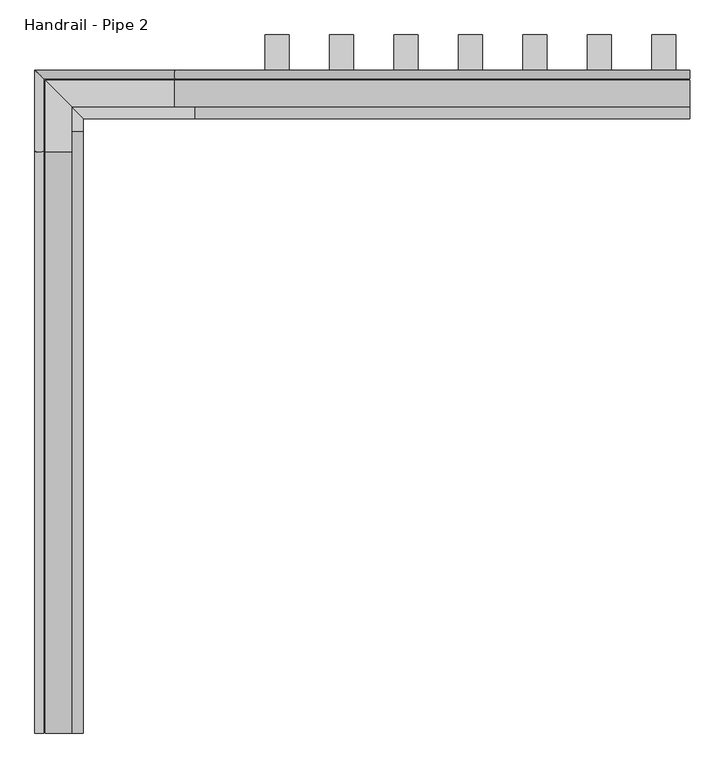
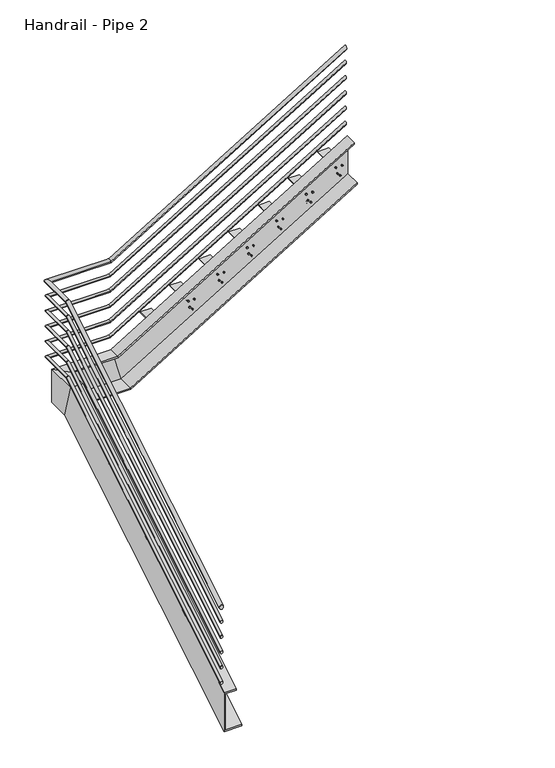
"""IFC4 building model written with IfcOpenShell, lengths in millimetres: railing geometry, Handrail - Pipe 2."""

import ifcopenshell
import ifcopenshell.guid

model = None  # the IFC model being written
_history = None  # IfcOwnerHistory: only IFC2X3 demands one
_inside = {}  # id of a spatial element -> (the spatial element, [elements in it])
_under = {}  # id of a project, library or spatial element -> (it, [spatial elements below it])
_declared = {}  # id of a project -> (the project, [libraries it declares])
_typed = {}  # id of a type object -> (the type object, [elements of that type])
_made_of = {}  # id of a material, layer set ... -> (it, [elements and type objects made of it])


def new_model(schema):
    """Start an empty IFC model of exactly this schema.

    Asked for "IFC4X3", IfcOpenShell would pick the latest addendum, in which some entities
    have other attributes; the version numbers below select the first issue.
    IFC2X3 requires an IfcOwnerHistory on every rooted entity: one is made here for all.
    """
    global model, _history
    if schema == "IFC4X3":
        model = ifcopenshell.file(schema_version=(4, 3, 0, 0))
    else:
        model = ifcopenshell.file(schema=schema)
    _inside.clear()
    _under.clear()
    _declared.clear()
    _typed.clear()
    _made_of.clear()
    _history = None
    if model.schema == "IFC2X3":
        org = make("IfcOrganization", Name="unknown")
        user = make(
            "IfcPersonAndOrganization",
            ThePerson=make("IfcPerson", FamilyName="unknown"),
            TheOrganization=org,
        )
        app = make(
            "IfcApplication",
            ApplicationDeveloper=org,
            Version="unknown",
            ApplicationFullName="unknown",
            ApplicationIdentifier="unknown",
        )
        _history = make(
            "IfcOwnerHistory",
            OwningUser=user,
            OwningApplication=app,
            ChangeAction="ADDED",
            CreationDate=0,
        )
    return model


def make(cls, **values):
    """One entity of the class cls with the attributes given. An attribute that is None is left unset."""
    return model.create_entity(
        cls, **{name: value for name, value in values.items() if value is not None}
    )


def rooted(cls, **values):
    """An entity with a GlobalId (a new one), such as an element, a storey or a relation."""
    return make(cls, GlobalId=ifcopenshell.guid.new(), OwnerHistory=_history, **values)


def si_unit(unit_type, name, prefix=None):
    """IfcSIUnit, for example si_unit("LENGTHUNIT", "METRE", prefix="MILLI")."""
    return make("IfcSIUnit", UnitType=unit_type, Prefix=prefix, Name=name)


def assignment(units):
    """IfcUnitAssignment: the units of a project."""
    return None if units is None else make("IfcUnitAssignment", Units=units)


def point(xyz):
    """IfcCartesianPoint."""
    return None if xyz is None else make("IfcCartesianPoint", Coordinates=xyz)


def direction(xyz):
    """IfcDirection."""
    return None if xyz is None else make("IfcDirection", DirectionRatios=xyz)


def frame(location, z_axis=None, x_axis=None):
    """IfcAxis2Placement3D, a coordinate frame: its origin and axes. An axis left out is left unset."""
    return make(
        "IfcAxis2Placement3D",
        Location=point(location),
        Axis=direction(z_axis),
        RefDirection=direction(x_axis),
    )


def origin():
    """The frame at (0, 0, 0) with its axes left unset."""
    return frame((0.0, 0.0, 0.0))


def place(relative_to, where):
    """IfcLocalPlacement: puts the frame where relative to a parent placement (None: the world)."""
    return make(
        "IfcLocalPlacement", PlacementRelTo=relative_to, RelativePlacement=where
    )


def context(
    kind, dimensions, precision=None, world=None, true_north=None, identifier=None
):
    """IfcGeometricRepresentationContext, for example the 3D "Model" context."""
    return make(
        "IfcGeometricRepresentationContext",
        ContextIdentifier=identifier,
        ContextType=kind,
        CoordinateSpaceDimension=dimensions,
        Precision=precision,
        WorldCoordinateSystem=world,
        TrueNorth=true_north,
    )


def project(units=None, contexts=None):
    """IfcProject with its units and contexts."""
    return rooted(
        "IfcProject",
        Name="project",
        RepresentationContexts=contexts,
        UnitsInContext=assignment(units),
    )


def spatial(cls, under=None, at=None, **own):
    """A site, building, storey or space (cls), placed at a placement, below another one or the project."""
    s = rooted(cls, ObjectPlacement=at, **own)
    if under is not None:
        _under.setdefault(under.id(), (under, []))[1].append(s)
    return s


def polyline(points):
    """IfcPolyline through the points."""
    return make("IfcPolyline", Points=[point(p) for p in points])


def ellipse_curve(where, semi_axis1, semi_axis2):
    """IfcEllipse in the frame where."""
    return make(
        "IfcEllipse", Position=where, SemiAxis1=semi_axis1, SemiAxis2=semi_axis2
    )


def outline(outer, holes=None, kind="AREA"):
    """IfcArbitraryClosedProfileDef: a profile drawn as a closed curve; with holes, ...WithVoids."""
    if holes is None:
        return make("IfcArbitraryClosedProfileDef", ProfileType=kind, OuterCurve=outer)
    return make(
        "IfcArbitraryProfileDefWithVoids",
        ProfileType=kind,
        OuterCurve=outer,
        InnerCurves=holes,
    )


def extrude(swept, where, along, depth):
    """IfcExtrudedAreaSolid: the profile swept, set in the frame where, extruded along a direction by depth."""
    return make(
        "IfcExtrudedAreaSolid",
        SweptArea=swept,
        Position=where,
        ExtrudedDirection=direction(along),
        Depth=depth,
    )


def faces_of(points, faces, orient=None, outer=None):
    """IfcFace entities. A face is a list of loops; a loop is a list of indices into points, from 0.

    orient and outer hold one flag for each loop. By default every Orientation is true, the
    first loop of a face is its IfcFaceOuterBound and the others are IfcFaceBound.
    """
    made = []
    for i, loops in enumerate(faces):
        bounds = []
        for j, loop in enumerate(loops):
            is_outer = j == 0 if outer is None else outer[i][j]
            bounds.append(
                make(
                    "IfcFaceOuterBound" if is_outer else "IfcFaceBound",
                    Bound=make("IfcPolyLoop", Polygon=[points[k] for k in loop]),
                    Orientation=True if orient is None else orient[i][j],
                )
            )
        made.append(make("IfcFace", Bounds=bounds))
    return made


def faceted_brep(points, faces, orient=None, outer=None, voids=None):
    """IfcFacetedBrep: a solid bounded by flat faces; with voids (closed shells), ...WithVoids."""
    shared = [point(p) for p in points]
    hull = make("IfcClosedShell", CfsFaces=faces_of(shared, faces, orient, outer))
    if voids is None:
        return make("IfcFacetedBrep", Outer=hull)
    return make(
        "IfcFacetedBrepWithVoids",
        Outer=hull,
        Voids=[
            make(cls, CfsFaces=faces_of(shared, fs, o, b)) for cls, fs, o, b in voids
        ],
    )


def shape(context_of_items, identifier, shape_type, items):
    """IfcShapeRepresentation: the items that make up one representation, for example the "Body"."""
    return make(
        "IfcShapeRepresentation",
        ContextOfItems=context_of_items,
        RepresentationIdentifier=identifier,
        RepresentationType=shape_type,
        Items=items,
    )


def source(mapping_origin, context_of_items, identifier, shape_type, items):
    """IfcRepresentationMap: a shape defined once, which mapped items show again and again."""
    return make(
        "IfcRepresentationMap",
        MappingOrigin=mapping_origin,
        MappedRepresentation=shape(context_of_items, identifier, shape_type, items),
    )


def transform(
    local_origin,
    x_axis=None,
    y_axis=None,
    z_axis=None,
    scale=None,
    scale2=None,
    scale3=None,
    uniform=True,
):
    """IfcCartesianTransformationOperator3D, or its non-uniform kind. x_axis, y_axis, z_axis: its Axis1, 2, 3."""
    if uniform:
        return make(
            "IfcCartesianTransformationOperator3D",
            Axis1=direction(x_axis),
            Axis2=direction(y_axis),
            LocalOrigin=point(local_origin),
            Scale=scale,
            Axis3=direction(z_axis),
        )
    return make(
        "IfcCartesianTransformationOperator3DnonUniform",
        Axis1=direction(x_axis),
        Axis2=direction(y_axis),
        LocalOrigin=point(local_origin),
        Scale=scale,
        Axis3=direction(z_axis),
        Scale2=scale2,
        Scale3=scale3,
    )


def mapped(mapping_source, mapping_target):
    """IfcMappedItem: shows the shape of a source again, moved by a transform."""
    return make(
        "IfcMappedItem", MappingSource=mapping_source, MappingTarget=mapping_target
    )


def made_of(thing, what):
    """Note that an element or type object is made of a material, layer set ...; save() writes the relation."""
    if what is not None:
        _made_of.setdefault(what.id(), (what, []))[1].append(thing)
    return thing


def element(
    cls,
    number,
    at=None,
    inside=None,
    cuts=None,
    type_object=None,
    material=None,
    context=None,
    identifier="Body",
    shape_type=None,
    held_by="IfcProductDefinitionShape",
    body=None,
    shapes=None,
    **own,
):
    """One element of the class cls, such as IfcWall. Its Tag is "e" and its number.

    at: its placement. inside: the storey or other place that contains it. cuts: it is an
    opening in that element (IfcRelVoidsElement). A single representation is given by context,
    identifier, shape_type and body (its items); several are given by shapes. held_by: the class
    of the entity that holds the representations. save() writes the other relations.
    """
    e = rooted(cls, Tag="e%d" % number, ObjectPlacement=at, **own)
    if body is not None:
        shapes = [shape(context, identifier, shape_type, body)]
    if shapes is not None:
        e.Representation = make(held_by, Representations=shapes)
    if inside is not None:
        _inside.setdefault(inside.id(), (inside, []))[1].append(e)
    if cuts is not None:
        rooted(
            "IfcRelVoidsElement", RelatingBuildingElement=cuts, RelatedOpeningElement=e
        )
    if type_object is not None:
        _typed.setdefault(type_object.id(), (type_object, []))[1].append(e)
    return made_of(e, material)


def aggregate(whole, parts):
    """IfcRelAggregates: a whole, such as a stair, and the parts it consists of."""
    return rooted("IfcRelAggregates", RelatingObject=whole, RelatedObjects=parts)


def save(model, path):
    """Write the relations noted so far, then the file.

    IfcRelAggregates (storeys below a building ...), IfcRelContainedInSpatialStructure (elements
    in a storey), IfcRelDefinesByType, IfcRelAssociatesMaterial and IfcRelDeclares: one each for
    every whole, place, type object, material and project.
    """
    for whole, parts in _under.values():
        aggregate(whole, parts)
    for where, things in _inside.values():
        rooted(
            "IfcRelContainedInSpatialStructure",
            RelatedElements=things,
            RelatingStructure=where,
        )
    for kind, things in _typed.values():
        rooted("IfcRelDefinesByType", RelatedObjects=things, RelatingType=kind)
    for what, things in _made_of.values():
        rooted("IfcRelAssociatesMaterial", RelatedObjects=things, RelatingMaterial=what)
    for by, libraries in _declared.values():
        rooted("IfcRelDeclares", RelatingContext=by, RelatedDefinitions=libraries)
    model.write(path)


def plane_surface(at):
    """IfcPlane: the flat surface through the origin of the frame at, square to its z axis."""
    return make("IfcPlane", Position=at)


def cylinder_surface(at, radius):
    """IfcCylindricalSurface: all points at the distance radius from the z axis of the frame at."""
    return make("IfcCylindricalSurface", Position=at, Radius=radius)


def advanced_brep(points, edges, surfaces, faces):
    """IfcAdvancedBrep: a solid bounded by faces that lie on surfaces and meet in shared edges.

    An edge is (start, end): straight between two places in points (the first is 0);
    or (start, end, curve); or (start, end, curve, False) where it runs against its curve.
    A face is (place in surfaces, loops), or (place, loops, False) where it looks against
    its surface's normal. A loop lists edges by number (the first is 1), with a minus sign
    where the edge is run from its end to its start. The first loop is the outer one.
    """
    corners = [point(p) for p in points]
    vertices = [make("IfcVertexPoint", VertexGeometry=c) for c in corners]
    made = []
    for start, end, *more in edges:
        made.append(
            make(
                "IfcEdgeCurve",
                EdgeStart=vertices[start],
                EdgeEnd=vertices[end],
                EdgeGeometry=more[0] if more else make("IfcPolyline", Points=[corners[start], corners[end]]),
                SameSense=more[1] if len(more) > 1 else True,
            )
        )
    hull = []
    for where, loops, *sense in faces:
        bounds = []
        for j, loop in enumerate(loops):
            ring = [make("IfcOrientedEdge", EdgeElement=made[abs(k) - 1], Orientation=k > 0) for k in loop]
            bounds.append(
                make(
                    "IfcFaceOuterBound" if j == 0 else "IfcFaceBound",
                    Bound=make("IfcEdgeLoop", EdgeList=ring),
                    Orientation=True,
                )
            )
        hull.append(make("IfcAdvancedFace", Bounds=bounds, FaceSurface=surfaces[where], SameSense=sense[0] if sense else True))
    return make("IfcAdvancedBrep", Outer=make("IfcClosedShell", CfsFaces=hull))


def handrail_pipe_2_9749ea83(model_context):
    return source(origin(), model_context, "Body", "SolidModel", [
        advanced_brep(
        [(-5738.7537229, -1003.5166859, 1061.4577857), (-5776.8537229, -1003.5166859, 1061.4577857), (-5738.7537229, 1516.4054676, 2588.6833333), (-5776.8537229, 1516.4054676, 2588.6833333), (-5738.7537229, 1828.5833141, 2588.6833333), (-5776.8537229, 1866.6833141, 2588.6833333), (-5168.2815694, 1828.5833141, 2588.6833333), (-5168.2815694, 1866.6833141, 2588.6833333), (-2938.4037229, 1828.5833141, 3940.1244524), (-2938.4037229, 1866.6833141, 3940.1244524)],
        [
            (0, 1, ellipse_curve(frame((-5757.8037229, -1003.5166859, 1061.4577857), z_axis=(0.0, -1.0, 0.0), x_axis=(0.0, 0.0, -1.0)), 22.2755476, 19.05)),
            (1, 0, ellipse_curve(frame((-5757.8037229, -1003.5166859, 1061.4577857), z_axis=(0.0, -1.0, 0.0), x_axis=(0.0, 0.0, -1.0)), 22.2755476, 19.05)),
            (0, 2),
            (2, 3, ellipse_curve(frame((-5757.8037229, 1516.4054676, 2588.6833333), z_axis=(0.0, -0.963119367356418, -0.2690744956754042), x_axis=(0.0, 0.2690744956754046, -0.963119367356418)), 19.7794797, 19.05)),
            (3, 1),
            (3, 2, ellipse_curve(frame((-5757.8037229, 1516.4054676, 2588.6833333), z_axis=(0.0, -0.963119367356418, -0.2690744956754042), x_axis=(0.0, 0.2690744956754046, -0.963119367356418)), 19.7794797, 19.05)),
            (2, 4),
            (4, 5, ellipse_curve(frame((-5757.8037229, 1847.6333141, 2588.6833333), z_axis=(-0.7071067811865483, -0.7071067811865468, 0.0), x_axis=(0.7071067811865468, -0.7071067811865482, 0.0)), 26.9407684, 19.05)),
            (5, 3),
            (5, 4, ellipse_curve(frame((-5757.8037229, 1847.6333141, 2588.6833333), z_axis=(-0.7071067811865483, -0.7071067811865468, 0.0), x_axis=(0.7071067811865468, -0.7071067811865482, 0.0)), 26.9407684, 19.05)),
            (4, 6),
            (6, 7, ellipse_curve(frame((-5168.2815694, 1847.6333141, 2588.6833333), z_axis=(-0.9631193673564179, 0.0, -0.26907449567540426), x_axis=(-0.2690744956754049, 0.0, 0.9631193673564178)), 19.7794797, 19.05)),
            (7, 5),
            (7, 6, ellipse_curve(frame((-5168.2815694, 1847.6333141, 2588.6833333), z_axis=(-0.9631193673564179, 0.0, -0.26907449567540426), x_axis=(-0.2690744956754049, 0.0, 0.9631193673564178)), 19.7794797, 19.05)),
            (8, 9, ellipse_curve(frame((-2938.4037229, 1847.6333141, 3940.1244524), z_axis=(1.0, 0.0, 0.0), x_axis=(0.0, 0.0, -1.0)), 22.2755476, 19.05)),
            (9, 8, ellipse_curve(frame((-2938.4037229, 1847.6333141, 3940.1244524), z_axis=(1.0, 0.0, 0.0), x_axis=(0.0, 0.0, -1.0)), 22.2755476, 19.05)),
            (6, 8),
            (9, 7),
        ],
        [
            plane_surface(frame((-5757.8037229, -1003.5166859, 1083.7333333), z_axis=(0.0, -1.0, 0.0), x_axis=(0.0, 0.0, 1.0))),
            cylinder_surface(frame((-5757.8037229, -993.6430383, 1067.4418146), z_axis=(0.0, -0.8551978315540538, -0.518301716093285), x_axis=(-1.0, 0.0, 0.0)), 19.05),
            cylinder_surface(frame((-5757.8037229, 1511.0833141, 2588.6833333), z_axis=(0.0, -1.0, 0.0), x_axis=(-1.0, 0.0, 0.0)), 19.05),
            cylinder_surface(frame((-5757.8037229, 1847.6333141, 2588.6833333), z_axis=(-1.0, 0.0, 0.0), x_axis=(0.0, 1.0, 0.0)), 19.05),
            plane_surface(frame((-2938.4037229, 1847.6333141, 3962.4), z_axis=(1.0, 0.0, 0.0), x_axis=(0.0, 1.0, 0.0))),
            cylinder_surface(frame((-5163.7300752, 1847.6333141, 2591.4418146), z_axis=(-0.8551978315540537, 0.0, -0.5183017160932851), x_axis=(0.0, 1.0, 0.0)), 19.05),
        ],
        [
            (0, [[1, 2]]),
            (1, [[-1, 3, 4, 5]]),
            (1, [[-2, -5, 6, -3]]),
            (2, [[-4, 7, 8, 9]]),
            (2, [[-6, -9, 10, -7]]),
            (3, [[-8, 11, 12, 13]]),
            (3, [[-10, -13, 14, -11]]),
            (4, [[15, 16]]),
            (5, [[-12, 17, -16, 18]]),
            (5, [[-14, -18, -15, -17]]),
        ],
    ),
        advanced_brep(
        [(-5745.1037229, -1003.5166859, 916.4829683), (-5770.5037229, -1003.5166859, 916.4829683), (-5745.1037229, 1514.6314164, 2442.6333333), (-5770.5037229, 1514.6314164, 2442.6333333), (-5745.1037229, 1834.9333141, 2442.6333333), (-5770.5037229, 1860.3333141, 2442.6333333), (-5170.0556206, 1834.9333141, 2442.6333333), (-5170.0556206, 1860.3333141, 2442.6333333), (-2938.4037229, 1834.9333141, 3795.1496349), (-2938.4037229, 1860.3333141, 3795.1496349)],
        [
            (0, 1, ellipse_curve(frame((-5757.8037229, -1003.5166859, 916.4829683), z_axis=(0.0, -1.0, 0.0), x_axis=(0.0, 0.0, -1.0)), 14.8503651, 12.7)),
            (1, 0, ellipse_curve(frame((-5757.8037229, -1003.5166859, 916.4829683), z_axis=(0.0, -1.0, 0.0), x_axis=(0.0, 0.0, -1.0)), 14.8503651, 12.7)),
            (0, 2),
            (2, 3, ellipse_curve(frame((-5757.8037229, 1514.6314164, 2442.6333333), z_axis=(0.0, -0.963119367356418, -0.2690744956754042), x_axis=(0.0, 0.2690744956754046, -0.963119367356418)), 13.1863198, 12.7)),
            (3, 1),
            (3, 2, ellipse_curve(frame((-5757.8037229, 1514.6314164, 2442.6333333), z_axis=(0.0, -0.963119367356418, -0.2690744956754042), x_axis=(0.0, 0.2690744956754046, -0.963119367356418)), 13.1863198, 12.7)),
            (2, 4),
            (4, 5, ellipse_curve(frame((-5757.8037229, 1847.6333141, 2442.6333333), z_axis=(-0.7071067811865483, -0.7071067811865468, 0.0), x_axis=(0.7071067811865468, -0.7071067811865482, 0.0)), 17.9605122, 12.7)),
            (5, 3),
            (5, 4, ellipse_curve(frame((-5757.8037229, 1847.6333141, 2442.6333333), z_axis=(-0.7071067811865483, -0.7071067811865468, 0.0), x_axis=(0.7071067811865468, -0.7071067811865482, 0.0)), 17.9605122, 12.7)),
            (4, 6),
            (6, 7, ellipse_curve(frame((-5170.0556206, 1847.6333141, 2442.6333333), z_axis=(-0.9631193673564179, 0.0, -0.26907449567540426), x_axis=(-0.2690744956754049, 0.0, 0.9631193673564178)), 13.1863198, 12.7)),
            (7, 5),
            (7, 6, ellipse_curve(frame((-5170.0556206, 1847.6333141, 2442.6333333), z_axis=(-0.9631193673564179, 0.0, -0.26907449567540426), x_axis=(-0.2690744956754049, 0.0, 0.9631193673564178)), 13.1863198, 12.7)),
            (8, 9, ellipse_curve(frame((-2938.4037229, 1847.6333141, 3795.1496349), z_axis=(1.0, 0.0, 0.0), x_axis=(0.0, 0.0, -1.0)), 14.8503651, 12.7)),
            (9, 8, ellipse_curve(frame((-2938.4037229, 1847.6333141, 3795.1496349), z_axis=(1.0, 0.0, 0.0), x_axis=(0.0, 0.0, -1.0)), 14.8503651, 12.7)),
            (6, 8),
            (9, 7),
        ],
        [
            plane_surface(frame((-5757.8037229, -1003.5166859, 931.3333333), z_axis=(0.0, -1.0, 0.0), x_axis=(0.0, 0.0, 1.0))),
            cylinder_surface(frame((-5757.8037229, -996.9342542, 920.4723209), z_axis=(0.0, -0.8551978315540538, -0.518301716093285), x_axis=(-1.0, 0.0, 0.0)), 12.7),
            cylinder_surface(frame((-5757.8037229, 1511.0833141, 2442.6333333), z_axis=(0.0, -1.0, 0.0), x_axis=(-1.0, 0.0, 0.0)), 12.7),
            cylinder_surface(frame((-5757.8037229, 1847.6333141, 2442.6333333), z_axis=(-1.0, 0.0, 0.0), x_axis=(0.0, 1.0, 0.0)), 12.7),
            plane_surface(frame((-2938.4037229, 1847.6333141, 3810.0), z_axis=(1.0, 0.0, 0.0), x_axis=(0.0, 1.0, 0.0))),
            cylinder_surface(frame((-5167.0212911, 1847.6333141, 2444.4723209), z_axis=(-0.8551978315540537, 0.0, -0.5183017160932851), x_axis=(0.0, 1.0, 0.0)), 12.7),
        ],
        [
            (0, [[1, 2]]),
            (1, [[-1, 3, 4, 5]]),
            (1, [[-2, -5, 6, -3]]),
            (2, [[-4, 7, 8, 9]]),
            (2, [[-6, -9, 10, -7]]),
            (3, [[-8, 11, 12, 13]]),
            (3, [[-10, -13, 14, -11]]),
            (4, [[15, 16]]),
            (5, [[-12, 17, -16, 18]]),
            (5, [[-14, -18, -15, -17]]),
        ],
    ),
        advanced_brep(
        [(-5745.1037229, -1003.5166859, 764.0829683), (-5770.5037229, -1003.5166859, 764.0829683), (-5745.1037229, 1514.6314164, 2290.2333333), (-5770.5037229, 1514.6314164, 2290.2333333), (-5745.1037229, 1834.9333141, 2290.2333333), (-5770.5037229, 1860.3333141, 2290.2333333), (-5170.0556206, 1834.9333141, 2290.2333333), (-5170.0556206, 1860.3333141, 2290.2333333), (-2938.4037229, 1834.9333141, 3642.7496349), (-2938.4037229, 1860.3333141, 3642.7496349)],
        [
            (0, 1, ellipse_curve(frame((-5757.8037229, -1003.5166859, 764.0829683), z_axis=(0.0, -1.0, 0.0), x_axis=(0.0, 0.0, -1.0)), 14.8503651, 12.7)),
            (1, 0, ellipse_curve(frame((-5757.8037229, -1003.5166859, 764.0829683), z_axis=(0.0, -1.0, 0.0), x_axis=(0.0, 0.0, -1.0)), 14.8503651, 12.7)),
            (0, 2),
            (2, 3, ellipse_curve(frame((-5757.8037229, 1514.6314164, 2290.2333333), z_axis=(0.0, -0.963119367356418, -0.26907449567540415), x_axis=(0.0, 0.2690744956754042, -0.963119367356418)), 13.1863198, 12.7)),
            (3, 1),
            (3, 2, ellipse_curve(frame((-5757.8037229, 1514.6314164, 2290.2333333), z_axis=(0.0, -0.963119367356418, -0.26907449567540415), x_axis=(0.0, 0.2690744956754042, -0.963119367356418)), 13.1863198, 12.7)),
            (2, 4),
            (4, 5, ellipse_curve(frame((-5757.8037229, 1847.6333141, 2290.2333333), z_axis=(-0.7071067811865483, -0.7071067811865468, 0.0), x_axis=(0.7071067811865468, -0.7071067811865482, 0.0)), 17.9605122, 12.7)),
            (5, 3),
            (5, 4, ellipse_curve(frame((-5757.8037229, 1847.6333141, 2290.2333333), z_axis=(-0.7071067811865483, -0.7071067811865468, 0.0), x_axis=(0.7071067811865468, -0.7071067811865482, 0.0)), 17.9605122, 12.7)),
            (4, 6),
            (6, 7, ellipse_curve(frame((-5170.0556206, 1847.6333141, 2290.2333333), z_axis=(-0.9631193673564179, 0.0, -0.26907449567540426), x_axis=(-0.2690744956754049, 0.0, 0.9631193673564178)), 13.1863198, 12.7)),
            (7, 5),
            (7, 6, ellipse_curve(frame((-5170.0556206, 1847.6333141, 2290.2333333), z_axis=(-0.9631193673564179, 0.0, -0.26907449567540426), x_axis=(-0.2690744956754049, 0.0, 0.9631193673564178)), 13.1863198, 12.7)),
            (8, 9, ellipse_curve(frame((-2938.4037229, 1847.6333141, 3642.7496349), z_axis=(1.0, 0.0, 0.0), x_axis=(0.0, 0.0, -1.0)), 14.8503651, 12.7)),
            (9, 8, ellipse_curve(frame((-2938.4037229, 1847.6333141, 3642.7496349), z_axis=(1.0, 0.0, 0.0), x_axis=(0.0, 0.0, -1.0)), 14.8503651, 12.7)),
            (6, 8),
            (9, 7),
        ],
        [
            plane_surface(frame((-5757.8037229, -1003.5166859, 778.9333333), z_axis=(0.0, -1.0, 0.0), x_axis=(0.0, 0.0, 1.0))),
            cylinder_surface(frame((-5757.8037229, -996.9342542, 768.0723209), z_axis=(0.0, -0.8551978315540538, -0.5183017160932849), x_axis=(-1.0, 0.0, 0.0)), 12.7),
            cylinder_surface(frame((-5757.8037229, 1511.0833141, 2290.2333333), z_axis=(0.0, -1.0, 0.0), x_axis=(-1.0, 0.0, 0.0)), 12.7),
            cylinder_surface(frame((-5757.8037229, 1847.6333141, 2290.2333333), z_axis=(-1.0, 0.0, 0.0), x_axis=(0.0, 1.0, 0.0)), 12.7),
            plane_surface(frame((-2938.4037229, 1847.6333141, 3657.6), z_axis=(1.0, 0.0, 0.0), x_axis=(0.0, 1.0, 0.0))),
            cylinder_surface(frame((-5167.0212911, 1847.6333141, 2292.0723209), z_axis=(-0.8551978315540537, 0.0, -0.5183017160932851), x_axis=(0.0, 1.0, 0.0)), 12.7),
        ],
        [
            (0, [[1, 2]]),
            (1, [[-1, 3, 4, 5]]),
            (1, [[-2, -5, 6, -3]]),
            (2, [[-4, 7, 8, 9]]),
            (2, [[-6, -9, 10, -7]]),
            (3, [[-8, 11, 12, 13]]),
            (3, [[-10, -13, 14, -11]]),
            (4, [[15, 16]]),
            (5, [[-12, 17, -16, 18]]),
            (5, [[-14, -18, -15, -17]]),
        ],
    ),
        advanced_brep(
        [(-5745.1037229, -1003.5166859, 611.6829683), (-5770.5037229, -1003.5166859, 611.6829683), (-5745.1037229, 1514.6314164, 2137.8333333), (-5770.5037229, 1514.6314164, 2137.8333333), (-5745.1037229, 1834.9333141, 2137.8333333), (-5770.5037229, 1860.3333141, 2137.8333333), (-5170.0556206, 1834.9333141, 2137.8333333), (-5170.0556206, 1860.3333141, 2137.8333333), (-2938.4037229, 1834.9333141, 3490.3496349), (-2938.4037229, 1860.3333141, 3490.3496349)],
        [
            (0, 1, ellipse_curve(frame((-5757.8037229, -1003.5166859, 611.6829683), z_axis=(0.0, -1.0, 0.0), x_axis=(0.0, 0.0, -1.0)), 14.8503651, 12.7)),
            (1, 0, ellipse_curve(frame((-5757.8037229, -1003.5166859, 611.6829683), z_axis=(0.0, -1.0, 0.0), x_axis=(0.0, 0.0, -1.0)), 14.8503651, 12.7)),
            (0, 2),
            (2, 3, ellipse_curve(frame((-5757.8037229, 1514.6314164, 2137.8333333), z_axis=(0.0, -0.963119367356418, -0.26907449567540415), x_axis=(0.0, 0.2690744956754042, -0.963119367356418)), 13.1863198, 12.7)),
            (3, 1),
            (3, 2, ellipse_curve(frame((-5757.8037229, 1514.6314164, 2137.8333333), z_axis=(0.0, -0.963119367356418, -0.26907449567540415), x_axis=(0.0, 0.2690744956754042, -0.963119367356418)), 13.1863198, 12.7)),
            (2, 4),
            (4, 5, ellipse_curve(frame((-5757.8037229, 1847.6333141, 2137.8333333), z_axis=(-0.7071067811865483, -0.7071067811865468, 0.0), x_axis=(0.7071067811865468, -0.7071067811865482, 0.0)), 17.9605122, 12.7)),
            (5, 3),
            (5, 4, ellipse_curve(frame((-5757.8037229, 1847.6333141, 2137.8333333), z_axis=(-0.7071067811865483, -0.7071067811865468, 0.0), x_axis=(0.7071067811865468, -0.7071067811865482, 0.0)), 17.9605122, 12.7)),
            (4, 6),
            (6, 7, ellipse_curve(frame((-5170.0556206, 1847.6333141, 2137.8333333), z_axis=(-0.9631193673564179, 0.0, -0.26907449567540426), x_axis=(-0.2690744956754049, 0.0, 0.9631193673564178)), 13.1863198, 12.7)),
            (7, 5),
            (7, 6, ellipse_curve(frame((-5170.0556206, 1847.6333141, 2137.8333333), z_axis=(-0.9631193673564179, 0.0, -0.26907449567540426), x_axis=(-0.2690744956754049, 0.0, 0.9631193673564178)), 13.1863198, 12.7)),
            (8, 9, ellipse_curve(frame((-2938.4037229, 1847.6333141, 3490.3496349), z_axis=(1.0, 0.0, 0.0), x_axis=(0.0, 0.0, -1.0)), 14.8503651, 12.7)),
            (9, 8, ellipse_curve(frame((-2938.4037229, 1847.6333141, 3490.3496349), z_axis=(1.0, 0.0, 0.0), x_axis=(0.0, 0.0, -1.0)), 14.8503651, 12.7)),
            (6, 8),
            (9, 7),
        ],
        [
            plane_surface(frame((-5757.8037229, -1003.5166859, 626.5333333), z_axis=(0.0, -1.0, 0.0), x_axis=(0.0, 0.0, 1.0))),
            cylinder_surface(frame((-5757.8037229, -996.9342542, 615.6723209), z_axis=(0.0, -0.8551978315540538, -0.5183017160932849), x_axis=(-1.0, 0.0, 0.0)), 12.7),
            cylinder_surface(frame((-5757.8037229, 1511.0833141, 2137.8333333), z_axis=(0.0, -1.0, 0.0), x_axis=(-1.0, 0.0, 0.0)), 12.7),
            cylinder_surface(frame((-5757.8037229, 1847.6333141, 2137.8333333), z_axis=(-1.0, 0.0, 0.0), x_axis=(0.0, 1.0, 0.0)), 12.7),
            plane_surface(frame((-2938.4037229, 1847.6333141, 3505.2), z_axis=(1.0, 0.0, 0.0), x_axis=(0.0, 1.0, 0.0))),
            cylinder_surface(frame((-5167.0212911, 1847.6333141, 2139.6723209), z_axis=(-0.8551978315540537, 0.0, -0.5183017160932851), x_axis=(0.0, 1.0, 0.0)), 12.7),
        ],
        [
            (0, [[1, 2]]),
            (1, [[-1, 3, 4, 5]]),
            (1, [[-2, -5, 6, -3]]),
            (2, [[-4, 7, 8, 9]]),
            (2, [[-6, -9, 10, -7]]),
            (3, [[-8, 11, 12, 13]]),
            (3, [[-10, -13, 14, -11]]),
            (4, [[15, 16]]),
            (5, [[-12, 17, -16, 18]]),
            (5, [[-14, -18, -15, -17]]),
        ],
    ),
        advanced_brep(
        [(-5745.1037229, -1003.5166859, 459.2829683), (-5770.5037229, -1003.5166859, 459.2829683), (-5745.1037229, 1514.6314164, 1985.4333333), (-5770.5037229, 1514.6314164, 1985.4333333), (-5745.1037229, 1834.9333141, 1985.4333333), (-5770.5037229, 1860.3333141, 1985.4333333), (-5170.0556206, 1834.9333141, 1985.4333333), (-5170.0556206, 1860.3333141, 1985.4333333), (-2938.4037229, 1834.9333141, 3337.9496349), (-2938.4037229, 1860.3333141, 3337.9496349)],
        [
            (0, 1, ellipse_curve(frame((-5757.8037229, -1003.5166859, 459.2829683), z_axis=(0.0, -1.0, 0.0), x_axis=(0.0, 0.0, -1.0)), 14.8503651, 12.7)),
            (1, 0, ellipse_curve(frame((-5757.8037229, -1003.5166859, 459.2829683), z_axis=(0.0, -1.0, 0.0), x_axis=(0.0, 0.0, -1.0)), 14.8503651, 12.7)),
            (0, 2),
            (2, 3, ellipse_curve(frame((-5757.8037229, 1514.6314164, 1985.4333333), z_axis=(0.0, -0.963119367356418, -0.26907449567540415), x_axis=(0.0, 0.2690744956754042, -0.963119367356418)), 13.1863198, 12.7)),
            (3, 1),
            (3, 2, ellipse_curve(frame((-5757.8037229, 1514.6314164, 1985.4333333), z_axis=(0.0, -0.963119367356418, -0.26907449567540415), x_axis=(0.0, 0.2690744956754042, -0.963119367356418)), 13.1863198, 12.7)),
            (2, 4),
            (4, 5, ellipse_curve(frame((-5757.8037229, 1847.6333141, 1985.4333333), z_axis=(-0.7071067811865483, -0.7071067811865468, 0.0), x_axis=(0.7071067811865468, -0.7071067811865482, 0.0)), 17.9605122, 12.7)),
            (5, 3),
            (5, 4, ellipse_curve(frame((-5757.8037229, 1847.6333141, 1985.4333333), z_axis=(-0.7071067811865483, -0.7071067811865468, 0.0), x_axis=(0.7071067811865468, -0.7071067811865482, 0.0)), 17.9605122, 12.7)),
            (4, 6),
            (6, 7, ellipse_curve(frame((-5170.0556206, 1847.6333141, 1985.4333333), z_axis=(-0.9631193673564179, 0.0, -0.26907449567540426), x_axis=(-0.2690744956754049, 0.0, 0.9631193673564178)), 13.1863198, 12.7)),
            (7, 5),
            (7, 6, ellipse_curve(frame((-5170.0556206, 1847.6333141, 1985.4333333), z_axis=(-0.9631193673564179, 0.0, -0.26907449567540426), x_axis=(-0.2690744956754049, 0.0, 0.9631193673564178)), 13.1863198, 12.7)),
            (8, 9, ellipse_curve(frame((-2938.4037229, 1847.6333141, 3337.9496349), z_axis=(1.0, 0.0, 0.0), x_axis=(0.0, 0.0, -1.0)), 14.8503651, 12.7)),
            (9, 8, ellipse_curve(frame((-2938.4037229, 1847.6333141, 3337.9496349), z_axis=(1.0, 0.0, 0.0), x_axis=(0.0, 0.0, -1.0)), 14.8503651, 12.7)),
            (6, 8),
            (9, 7),
        ],
        [
            plane_surface(frame((-5757.8037229, -1003.5166859, 474.1333333), z_axis=(0.0, -1.0, 0.0), x_axis=(0.0, 0.0, 1.0))),
            cylinder_surface(frame((-5757.8037229, -996.9342542, 463.2723209), z_axis=(0.0, -0.8551978315540538, -0.5183017160932849), x_axis=(-1.0, 0.0, 0.0)), 12.7),
            cylinder_surface(frame((-5757.8037229, 1511.0833141, 1985.4333333), z_axis=(0.0, -1.0, 0.0), x_axis=(-1.0, 0.0, 0.0)), 12.7),
            cylinder_surface(frame((-5757.8037229, 1847.6333141, 1985.4333333), z_axis=(-1.0, 0.0, 0.0), x_axis=(0.0, 1.0, 0.0)), 12.7),
            plane_surface(frame((-2938.4037229, 1847.6333141, 3352.8), z_axis=(1.0, 0.0, 0.0), x_axis=(0.0, 1.0, 0.0))),
            cylinder_surface(frame((-5167.0212911, 1847.6333141, 1987.2723209), z_axis=(-0.8551978315540537, 0.0, -0.5183017160932851), x_axis=(0.0, 1.0, 0.0)), 12.7),
        ],
        [
            (0, [[1, 2]]),
            (1, [[-1, 3, 4, 5]]),
            (1, [[-2, -5, 6, -3]]),
            (2, [[-4, 7, 8, 9]]),
            (2, [[-6, -9, 10, -7]]),
            (3, [[-8, 11, 12, 13]]),
            (3, [[-10, -13, 14, -11]]),
            (4, [[15, 16]]),
            (5, [[-12, 17, -16, 18]]),
            (5, [[-14, -18, -15, -17]]),
        ],
    ),
        advanced_brep(
        [(-5745.1037229, -1003.5166859, 306.8829683), (-5770.5037229, -1003.5166859, 306.8829683), (-5745.1037229, 1514.6314164, 1833.0333333), (-5770.5037229, 1514.6314164, 1833.0333333), (-5745.1037229, 1834.9333141, 1833.0333333), (-5770.5037229, 1860.3333141, 1833.0333333), (-5170.0556206, 1834.9333141, 1833.0333333), (-5170.0556206, 1860.3333141, 1833.0333333), (-2938.4037229, 1834.9333141, 3185.5496349), (-2938.4037229, 1860.3333141, 3185.5496349)],
        [
            (0, 1, ellipse_curve(frame((-5757.8037229, -1003.5166859, 306.8829683), z_axis=(0.0, -1.0, 0.0), x_axis=(0.0, 0.0, -1.0)), 14.8503651, 12.7)),
            (1, 0, ellipse_curve(frame((-5757.8037229, -1003.5166859, 306.8829683), z_axis=(0.0, -1.0, 0.0), x_axis=(0.0, 0.0, -1.0)), 14.8503651, 12.7)),
            (0, 2),
            (2, 3, ellipse_curve(frame((-5757.8037229, 1514.6314164, 1833.0333333), z_axis=(0.0, -0.963119367356418, -0.26907449567540415), x_axis=(0.0, 0.2690744956754042, -0.963119367356418)), 13.1863198, 12.7)),
            (3, 1),
            (3, 2, ellipse_curve(frame((-5757.8037229, 1514.6314164, 1833.0333333), z_axis=(0.0, -0.963119367356418, -0.26907449567540415), x_axis=(0.0, 0.2690744956754042, -0.963119367356418)), 13.1863198, 12.7)),
            (2, 4),
            (4, 5, ellipse_curve(frame((-5757.8037229, 1847.6333141, 1833.0333333), z_axis=(-0.7071067811865483, -0.7071067811865468, 0.0), x_axis=(0.7071067811865468, -0.7071067811865482, 0.0)), 17.9605122, 12.7)),
            (5, 3),
            (5, 4, ellipse_curve(frame((-5757.8037229, 1847.6333141, 1833.0333333), z_axis=(-0.7071067811865483, -0.7071067811865468, 0.0), x_axis=(0.7071067811865468, -0.7071067811865482, 0.0)), 17.9605122, 12.7)),
            (4, 6),
            (6, 7, ellipse_curve(frame((-5170.0556206, 1847.6333141, 1833.0333333), z_axis=(-0.9631193673564179, 0.0, -0.26907449567540426), x_axis=(-0.2690744956754049, 0.0, 0.9631193673564178)), 13.1863198, 12.7)),
            (7, 5),
            (7, 6, ellipse_curve(frame((-5170.0556206, 1847.6333141, 1833.0333333), z_axis=(-0.9631193673564179, 0.0, -0.26907449567540426), x_axis=(-0.2690744956754049, 0.0, 0.9631193673564178)), 13.1863198, 12.7)),
            (8, 9, ellipse_curve(frame((-2938.4037229, 1847.6333141, 3185.5496349), z_axis=(1.0, 0.0, 0.0), x_axis=(0.0, 0.0, -1.0)), 14.8503651, 12.7)),
            (9, 8, ellipse_curve(frame((-2938.4037229, 1847.6333141, 3185.5496349), z_axis=(1.0, 0.0, 0.0), x_axis=(0.0, 0.0, -1.0)), 14.8503651, 12.7)),
            (6, 8),
            (9, 7),
        ],
        [
            plane_surface(frame((-5757.8037229, -1003.5166859, 321.7333333), z_axis=(0.0, -1.0, 0.0), x_axis=(0.0, 0.0, 1.0))),
            cylinder_surface(frame((-5757.8037229, -996.9342542, 310.8723209), z_axis=(0.0, -0.8551978315540538, -0.5183017160932849), x_axis=(-1.0, 0.0, 0.0)), 12.7),
            cylinder_surface(frame((-5757.8037229, 1511.0833141, 1833.0333333), z_axis=(0.0, -1.0, 0.0), x_axis=(-1.0, 0.0, 0.0)), 12.7),
            cylinder_surface(frame((-5757.8037229, 1847.6333141, 1833.0333333), z_axis=(-1.0, 0.0, 0.0), x_axis=(0.0, 1.0, 0.0)), 12.7),
            plane_surface(frame((-2938.4037229, 1847.6333141, 3200.4), z_axis=(1.0, 0.0, 0.0), x_axis=(0.0, 1.0, 0.0))),
            cylinder_surface(frame((-5167.0212911, 1847.6333141, 1834.8723209), z_axis=(-0.8551978315540537, 0.0, -0.5183017160932851), x_axis=(0.0, 1.0, 0.0)), 12.7),
        ],
        [
            (0, [[1, 2]]),
            (1, [[-1, 3, 4, 5]]),
            (1, [[-2, -5, 6, -3]]),
            (2, [[-4, 7, 8, 9]]),
            (2, [[-6, -9, 10, -7]]),
            (3, [[-8, 11, 12, 13]]),
            (3, [[-10, -13, 14, -11]]),
            (4, [[15, 16]]),
            (5, [[-12, 17, -16, 18]]),
            (5, [[-14, -18, -15, -17]]),
        ],
    ),
        faceted_brep([(-5732.4037229, -1003.5166859, 194.7333333), (-5732.4037229, -1003.5166859, -191.3761583), (-5567.3037229, -1003.5166859, -191.3761583), (-5567.3037229, -1003.5166859, -176.5257933), (-5719.7037229, -1003.5166859, -176.5257933), (-5719.7037229, -1003.5166859, 179.8829683), (-5618.1037229, -1003.5166859, 179.8829683), (-5618.1037229, -1003.5166859, 194.7333333), (-5732.4037229, 1511.0833141, 1718.7333333), (-5732.4037229, 1603.3339753, 1388.5333333), (-5567.3037229, 1603.3339753, 1388.5333333), (-5567.3037229, 1599.7858729, 1401.2333333), (-5719.7037229, 1599.7858729, 1401.2333333), (-5719.7037229, 1514.6314164, 1706.0333333), (-5618.1037229, 1514.6314164, 1706.0333333), (-5618.1037229, 1511.0833141, 1718.7333333), (-5732.4037229, 1822.2333141, 1718.7333333), (-5732.4037229, 1822.2333141, 1388.5333333), (-5567.3037229, 1657.1333141, 1388.5333333), (-5567.3037229, 1657.1333141, 1401.2333333), (-5719.7037229, 1809.5333141, 1401.2333333), (-5719.7037229, 1809.5333141, 1706.0333333), (-5618.1037229, 1707.9333141, 1706.0333333), (-5618.1037229, 1707.9333141, 1718.7333333), (-5173.6037229, 1822.2333141, 1718.7333333), (-5081.3530617, 1822.2333141, 1388.5333333), (-5081.3530617, 1657.1333141, 1388.5333333), (-5084.901164, 1657.1333141, 1401.2333333), (-5084.901164, 1809.5333141, 1401.2333333), (-5170.0556206, 1809.5333141, 1706.0333333), (-5170.0556206, 1707.9333141, 1706.0333333), (-5173.6037229, 1707.9333141, 1718.7333333), (-2938.4037229, 1822.2333141, 3073.4), (-2938.4037229, 1707.9333141, 3073.4), (-2938.4037229, 1707.9333141, 3058.5496349), (-2938.4037229, 1809.5333141, 3058.5496349), (-2938.4037229, 1809.5333141, 2702.1408734), (-2938.4037229, 1657.1333141, 2702.1408734), (-2938.4037229, 1657.1333141, 2687.2905084), (-2938.4037229, 1822.2333141, 2687.2905084)], [[[0, 1, 2, 3, 4, 5, 6, 7]], [[1, 0, 8, 9]], [[2, 1, 9, 10]], [[3, 2, 10, 11]], [[4, 3, 11, 12]], [[5, 4, 12, 13]], [[6, 5, 13, 14]], [[7, 6, 14, 15]], [[0, 7, 15, 8]], [[9, 8, 16, 17]], [[10, 9, 17, 18]], [[11, 10, 18, 19]], [[12, 11, 19, 20]], [[13, 12, 20, 21]], [[14, 13, 21, 22]], [[15, 14, 22, 23]], [[8, 15, 23, 16]], [[17, 16, 24, 25]], [[18, 17, 25, 26]], [[19, 18, 26, 27]], [[20, 19, 27, 28]], [[21, 20, 28, 29]], [[22, 21, 29, 30]], [[23, 22, 30, 31]], [[16, 23, 31, 24]], [[32, 33, 34, 35, 36, 37, 38, 39]], [[25, 24, 32, 39]], [[26, 25, 39, 38]], [[27, 26, 38, 37]], [[28, 27, 37, 36]], [[29, 28, 36, 35]], [[30, 29, 35, 34]], [[31, 30, 34, 33]], [[24, 31, 33, 32]]]),
        extrude(outline(polyline([(2827.8666667, -3071.7537229), (2700.8666667, -3046.3537229), (2700.8666667, -3008.2537229), (2827.8666667, -2982.8537229), (2827.8666667, -3071.7537229)])), frame((0.0, 1815.8833141, 0.0), z_axis=(0.0, 1.0, 0.0), x_axis=(0.0, 0.0, 1.0)), (0.0, 0.0, 1.0), 6.35),
        faceted_brep([(-2999.9987229, 2019.0833141, 2853.2666667), (-3021.2681099, 2019.0833141, 2746.9197319), (-3027.6181099, 2019.0833141, 2746.9197319), (-3007.5940604, 2019.0833141, 2847.0399794), (-3103.5037229, 2019.0833141, 2847.0399794), (-3103.5037229, 2019.0833141, 2853.2666667), (-2999.9987229, 1822.2333141, 2853.2666667), (-3103.5037229, 1822.2333141, 2853.2666667), (-3103.5037229, 1822.2333141, 2847.0399794), (-3007.5940604, 1822.2333141, 2847.0399794), (-3035.0901346, 1822.2333141, 2709.5596081), (-3028.7401346, 1822.2333141, 2709.5596081)], [[[0, 1, 2, 3, 4, 5]], [[6, 7, 8, 9, 10, 11]], [[6, 0, 5, 7]], [[7, 5, 4, 8]], [[8, 4, 3, 9]], [[9, 3, 2, 10]], [[10, 2, 1, 11]], [[11, 1, 0, 6]]]),
        extrude(outline(polyline([(2724.0834229, -3016.0384842), (2720.4172487, -3022.3884842), (2713.0849002, -3022.3884842), (2709.418726, -3016.0384842), (2713.0849002, -3009.6884842), (2720.4172487, -3009.6884842), (2724.0834229, -3016.0384842)])), frame((0.0, 1796.8333141, 0.0), z_axis=(0.0, 1.0, 0.0), x_axis=(0.0, 0.0, 1.0)), (0.0, 0.0, 1.0), 31.75),
        extrude(outline(polyline([(2817.4837322, -2997.3584223), (2813.817558, -3003.7084223), (2806.4852096, -3003.7084223), (2802.8190354, -2997.3584223), (2806.4852096, -2991.0084223), (2813.817558, -2991.0084223), (2817.4837322, -2997.3584223)])), frame((0.0, 1796.8333141, 0.0), z_axis=(0.0, 1.0, 0.0), x_axis=(0.0, 0.0, 1.0)), (0.0, 0.0, 1.0), 31.75),
        extrude(outline(polyline([(2751.0709229, -3040.9502116), (2747.4047487, -3047.3002116), (2740.0724002, -3047.3002116), (2736.406226, -3040.9502116), (2740.0724002, -3034.6002116), (2747.4047487, -3034.6002116), (2751.0709229, -3040.9502116)])), frame((0.0, 1796.8333141, 0.0), z_axis=(0.0, 1.0, 0.0), x_axis=(0.0, 0.0, 1.0)), (0.0, 0.0, 1.0), 31.75),
        extrude(outline(polyline([(2817.4837322, -3057.2490235), (2813.817558, -3063.5990235), (2806.4852096, -3063.5990235), (2802.8190354, -3057.2490235), (2806.4852096, -3050.8990235), (2813.817558, -3050.8990235), (2817.4837322, -3057.2490235)])), frame((0.0, 1796.8333141, 0.0), z_axis=(0.0, 1.0, 0.0), x_axis=(0.0, 0.0, 1.0)), (0.0, 0.0, 1.0), 31.75),
        extrude(outline(polyline([(2658.5333333, -3351.1537229), (2531.5333333, -3325.7537229), (2531.5333333, -3287.6537229), (2658.5333333, -3262.2537229), (2658.5333333, -3351.1537229)])), frame((0.0, 1815.8833141, 0.0), z_axis=(0.0, 1.0, 0.0), x_axis=(0.0, 0.0, 1.0)), (0.0, 0.0, 1.0), 6.35),
        faceted_brep([(-3279.3987229, 2019.0833141, 2683.9333333), (-3300.6681099, 2019.0833141, 2577.5863986), (-3307.0181099, 2019.0833141, 2577.5863986), (-3286.9940604, 2019.0833141, 2677.706646), (-3382.9037229, 2019.0833141, 2677.706646), (-3382.9037229, 2019.0833141, 2683.9333333), (-3279.3987229, 1822.2333141, 2683.9333333), (-3382.9037229, 1822.2333141, 2683.9333333), (-3382.9037229, 1822.2333141, 2677.706646), (-3286.9940604, 1822.2333141, 2677.706646), (-3314.4901346, 1822.2333141, 2540.2262748), (-3308.1401346, 1822.2333141, 2540.2262748)], [[[0, 1, 2, 3, 4, 5]], [[6, 7, 8, 9, 10, 11]], [[6, 0, 5, 7]], [[7, 5, 4, 8]], [[8, 4, 3, 9]], [[9, 3, 2, 10]], [[10, 2, 1, 11]], [[11, 1, 0, 6]]]),
        extrude(outline(polyline([(2554.7500895, -3295.4384842), (2551.0839153, -3301.7884842), (2543.7515669, -3301.7884842), (2540.0853927, -3295.4384842), (2543.7515669, -3289.0884842), (2551.0839153, -3289.0884842), (2554.7500895, -3295.4384842)])), frame((0.0, 1796.8333141, 0.0), z_axis=(0.0, 1.0, 0.0), x_axis=(0.0, 0.0, 1.0)), (0.0, 0.0, 1.0), 31.75),
        extrude(outline(polyline([(2648.1503989, -3276.7584223), (2644.4842247, -3283.1084223), (2637.1518763, -3283.1084223), (2633.4857021, -3276.7584223), (2637.1518763, -3270.4084223), (2644.4842247, -3270.4084223), (2648.1503989, -3276.7584223)])), frame((0.0, 1796.8333141, 0.0), z_axis=(0.0, 1.0, 0.0), x_axis=(0.0, 0.0, 1.0)), (0.0, 0.0, 1.0), 31.75),
        extrude(outline(polyline([(2581.7375895, -3320.3502116), (2578.0714153, -3326.7002116), (2570.7390669, -3326.7002116), (2567.0728927, -3320.3502116), (2570.7390669, -3314.0002116), (2578.0714153, -3314.0002116), (2581.7375895, -3320.3502116)])), frame((0.0, 1796.8333141, 0.0), z_axis=(0.0, 1.0, 0.0), x_axis=(0.0, 0.0, 1.0)), (0.0, 0.0, 1.0), 31.75),
        extrude(outline(polyline([(2648.1503989, -3336.6490235), (2644.4842247, -3342.9990235), (2637.1518763, -3342.9990235), (2633.4857021, -3336.6490235), (2637.1518763, -3330.2990235), (2644.4842247, -3330.2990235), (2648.1503989, -3336.6490235)])), frame((0.0, 1796.8333141, 0.0), z_axis=(0.0, 1.0, 0.0), x_axis=(0.0, 0.0, 1.0)), (0.0, 0.0, 1.0), 31.75),
        extrude(outline(polyline([(2489.2, -3630.5537229), (2362.2, -3605.1537229), (2362.2, -3567.0537229), (2489.2, -3541.6537229), (2489.2, -3630.5537229)])), frame((0.0, 1815.8833141, 0.0), z_axis=(0.0, 1.0, 0.0), x_axis=(0.0, 0.0, 1.0)), (0.0, 0.0, 1.0), 6.35),
        faceted_brep([(-3558.7987229, 2019.0833141, 2514.6), (-3580.0681099, 2019.0833141, 2408.2530652), (-3586.4181099, 2019.0833141, 2408.2530652), (-3566.3940604, 2019.0833141, 2508.3733127), (-3662.3037229, 2019.0833141, 2508.3733127), (-3662.3037229, 2019.0833141, 2514.6), (-3558.7987229, 1822.2333141, 2514.6), (-3662.3037229, 1822.2333141, 2514.6), (-3662.3037229, 1822.2333141, 2508.3733127), (-3566.3940604, 1822.2333141, 2508.3733127), (-3593.8901346, 1822.2333141, 2370.8929415), (-3587.5401346, 1822.2333141, 2370.8929415)], [[[0, 1, 2, 3, 4, 5]], [[6, 7, 8, 9, 10, 11]], [[6, 0, 5, 7]], [[7, 5, 4, 8]], [[8, 4, 3, 9]], [[9, 3, 2, 10]], [[10, 2, 1, 11]], [[11, 1, 0, 6]]]),
        extrude(outline(polyline([(2385.4167562, -3574.8384842), (2381.750582, -3581.1884842), (2374.4182336, -3581.1884842), (2370.7520594, -3574.8384842), (2374.4182336, -3568.4884842), (2381.750582, -3568.4884842), (2385.4167562, -3574.8384842)])), frame((0.0, 1796.8333141, 0.0), z_axis=(0.0, 1.0, 0.0), x_axis=(0.0, 0.0, 1.0)), (0.0, 0.0, 1.0), 31.75),
        extrude(outline(polyline([(2478.8170656, -3556.1584223), (2475.1508913, -3562.5084223), (2467.8185429, -3562.5084223), (2464.1523687, -3556.1584223), (2467.8185429, -3549.8084223), (2475.1508913, -3549.8084223), (2478.8170656, -3556.1584223)])), frame((0.0, 1796.8333141, 0.0), z_axis=(0.0, 1.0, 0.0), x_axis=(0.0, 0.0, 1.0)), (0.0, 0.0, 1.0), 31.75),
        extrude(outline(polyline([(2412.4042562, -3599.7502116), (2408.738082, -3606.1002116), (2401.4057336, -3606.1002116), (2397.7395594, -3599.7502116), (2401.4057336, -3593.4002116), (2408.738082, -3593.4002116), (2412.4042562, -3599.7502116)])), frame((0.0, 1796.8333141, 0.0), z_axis=(0.0, 1.0, 0.0), x_axis=(0.0, 0.0, 1.0)), (0.0, 0.0, 1.0), 31.75),
        extrude(outline(polyline([(2478.8170656, -3616.0490235), (2475.1508913, -3622.3990235), (2467.8185429, -3622.3990235), (2464.1523687, -3616.0490235), (2467.8185429, -3609.6990235), (2475.1508913, -3609.6990235), (2478.8170656, -3616.0490235)])), frame((0.0, 1796.8333141, 0.0), z_axis=(0.0, 1.0, 0.0), x_axis=(0.0, 0.0, 1.0)), (0.0, 0.0, 1.0), 31.75),
        extrude(outline(polyline([(2319.8666667, -3909.9537229), (2192.8666667, -3884.5537229), (2192.8666667, -3846.4537229), (2319.8666667, -3821.0537229), (2319.8666667, -3909.9537229)])), frame((0.0, 1815.8833141, 0.0), z_axis=(0.0, 1.0, 0.0), x_axis=(0.0, 0.0, 1.0)), (0.0, 0.0, 1.0), 6.35),
        faceted_brep([(-3838.1987229, 2019.0833141, 2345.2666667), (-3859.4681099, 2019.0833141, 2238.9197319), (-3865.8181099, 2019.0833141, 2238.9197319), (-3845.7940604, 2019.0833141, 2339.0399794), (-3941.7037229, 2019.0833141, 2339.0399794), (-3941.7037229, 2019.0833141, 2345.2666667), (-3838.1987229, 1822.2333141, 2345.2666667), (-3941.7037229, 1822.2333141, 2345.2666667), (-3941.7037229, 1822.2333141, 2339.0399794), (-3845.7940604, 1822.2333141, 2339.0399794), (-3873.2901346, 1822.2333141, 2201.5596081), (-3866.9401346, 1822.2333141, 2201.5596081)], [[[0, 1, 2, 3, 4, 5]], [[6, 7, 8, 9, 10, 11]], [[6, 0, 5, 7]], [[7, 5, 4, 8]], [[8, 4, 3, 9]], [[9, 3, 2, 10]], [[10, 2, 1, 11]], [[11, 1, 0, 6]]]),
        extrude(outline(polyline([(2216.0834229, -3854.2384842), (2212.4172487, -3860.5884842), (2205.0849002, -3860.5884842), (2201.418726, -3854.2384842), (2205.0849002, -3847.8884842), (2212.4172487, -3847.8884842), (2216.0834229, -3854.2384842)])), frame((0.0, 1796.8333141, 0.0), z_axis=(0.0, 1.0, 0.0), x_axis=(0.0, 0.0, 1.0)), (0.0, 0.0, 1.0), 31.75),
        extrude(outline(polyline([(2309.4837322, -3835.5584223), (2305.817558, -3841.9084223), (2298.4852096, -3841.9084223), (2294.8190354, -3835.5584223), (2298.4852096, -3829.2084223), (2305.817558, -3829.2084223), (2309.4837322, -3835.5584223)])), frame((0.0, 1796.8333141, 0.0), z_axis=(0.0, 1.0, 0.0), x_axis=(0.0, 0.0, 1.0)), (0.0, 0.0, 1.0), 31.75),
        extrude(outline(polyline([(2243.0709229, -3879.1502116), (2239.4047487, -3885.5002116), (2232.0724002, -3885.5002116), (2228.406226, -3879.1502116), (2232.0724002, -3872.8002116), (2239.4047487, -3872.8002116), (2243.0709229, -3879.1502116)])), frame((0.0, 1796.8333141, 0.0), z_axis=(0.0, 1.0, 0.0), x_axis=(0.0, 0.0, 1.0)), (0.0, 0.0, 1.0), 31.75),
        extrude(outline(polyline([(2309.4837322, -3895.4490235), (2305.817558, -3901.7990235), (2298.4852096, -3901.7990235), (2294.8190354, -3895.4490235), (2298.4852096, -3889.0990235), (2305.817558, -3889.0990235), (2309.4837322, -3895.4490235)])), frame((0.0, 1796.8333141, 0.0), z_axis=(0.0, 1.0, 0.0), x_axis=(0.0, 0.0, 1.0)), (0.0, 0.0, 1.0), 31.75),
        extrude(outline(polyline([(2150.5333333, -4189.3537229), (2023.5333333, -4163.9537229), (2023.5333333, -4125.8537229), (2150.5333333, -4100.4537229), (2150.5333333, -4189.3537229)])), frame((0.0, 1815.8833141, 0.0), z_axis=(0.0, 1.0, 0.0), x_axis=(0.0, 0.0, 1.0)), (0.0, 0.0, 1.0), 6.35),
        faceted_brep([(-4117.5987229, 2019.0833141, 2175.9333333), (-4138.8681099, 2019.0833141, 2069.5863986), (-4145.2181099, 2019.0833141, 2069.5863986), (-4125.1940604, 2019.0833141, 2169.706646), (-4221.1037229, 2019.0833141, 2169.706646), (-4221.1037229, 2019.0833141, 2175.9333333), (-4117.5987229, 1822.2333141, 2175.9333333), (-4221.1037229, 1822.2333141, 2175.9333333), (-4221.1037229, 1822.2333141, 2169.706646), (-4125.1940604, 1822.2333141, 2169.706646), (-4152.6901346, 1822.2333141, 2032.2262748), (-4146.3401346, 1822.2333141, 2032.2262748)], [[[0, 1, 2, 3, 4, 5]], [[6, 7, 8, 9, 10, 11]], [[6, 0, 5, 7]], [[7, 5, 4, 8]], [[8, 4, 3, 9]], [[9, 3, 2, 10]], [[10, 2, 1, 11]], [[11, 1, 0, 6]]]),
        extrude(outline(polyline([(2046.7500895, -4133.6384842), (2043.0839153, -4139.9884842), (2035.7515669, -4139.9884842), (2032.0853927, -4133.6384842), (2035.7515669, -4127.2884842), (2043.0839153, -4127.2884842), (2046.7500895, -4133.6384842)])), frame((0.0, 1796.8333141, 0.0), z_axis=(0.0, 1.0, 0.0), x_axis=(0.0, 0.0, 1.0)), (0.0, 0.0, 1.0), 31.75),
        extrude(outline(polyline([(2140.1503989, -4114.9584223), (2136.4842247, -4121.3084223), (2129.1518763, -4121.3084223), (2125.4857021, -4114.9584223), (2129.1518763, -4108.6084223), (2136.4842247, -4108.6084223), (2140.1503989, -4114.9584223)])), frame((0.0, 1796.8333141, 0.0), z_axis=(0.0, 1.0, 0.0), x_axis=(0.0, 0.0, 1.0)), (0.0, 0.0, 1.0), 31.75),
        extrude(outline(polyline([(2073.7375895, -4158.5502116), (2070.0714153, -4164.9002116), (2062.7390669, -4164.9002116), (2059.0728927, -4158.5502116), (2062.7390669, -4152.2002116), (2070.0714153, -4152.2002116), (2073.7375895, -4158.5502116)])), frame((0.0, 1796.8333141, 0.0), z_axis=(0.0, 1.0, 0.0), x_axis=(0.0, 0.0, 1.0)), (0.0, 0.0, 1.0), 31.75),
        extrude(outline(polyline([(2140.1503989, -4174.8490235), (2136.4842247, -4181.1990235), (2129.1518763, -4181.1990235), (2125.4857021, -4174.8490235), (2129.1518763, -4168.4990235), (2136.4842247, -4168.4990235), (2140.1503989, -4174.8490235)])), frame((0.0, 1796.8333141, 0.0), z_axis=(0.0, 1.0, 0.0), x_axis=(0.0, 0.0, 1.0)), (0.0, 0.0, 1.0), 31.75),
        extrude(outline(polyline([(1981.2, -4468.7537229), (1854.2, -4443.3537229), (1854.2, -4405.2537229), (1981.2, -4379.8537229), (1981.2, -4468.7537229)])), frame((0.0, 1815.8833141, 0.0), z_axis=(0.0, 1.0, 0.0), x_axis=(0.0, 0.0, 1.0)), (0.0, 0.0, 1.0), 6.35),
        faceted_brep([(-4396.9987229, 2019.0833141, 2006.6), (-4418.2681099, 2019.0833141, 1900.2530652), (-4424.6181099, 2019.0833141, 1900.2530652), (-4404.5940604, 2019.0833141, 2000.3733127), (-4500.5037229, 2019.0833141, 2000.3733127), (-4500.5037229, 2019.0833141, 2006.6), (-4396.9987229, 1822.2333141, 2006.6), (-4500.5037229, 1822.2333141, 2006.6), (-4500.5037229, 1822.2333141, 2000.3733127), (-4404.5940604, 1822.2333141, 2000.3733127), (-4432.0901346, 1822.2333141, 1862.8929415), (-4425.7401346, 1822.2333141, 1862.8929415)], [[[0, 1, 2, 3, 4, 5]], [[6, 7, 8, 9, 10, 11]], [[6, 0, 5, 7]], [[7, 5, 4, 8]], [[8, 4, 3, 9]], [[9, 3, 2, 10]], [[10, 2, 1, 11]], [[11, 1, 0, 6]]]),
        extrude(outline(polyline([(1877.4167562, -4413.0384842), (1873.750582, -4419.3884842), (1866.4182336, -4419.3884842), (1862.7520594, -4413.0384842), (1866.4182336, -4406.6884842), (1873.750582, -4406.6884842), (1877.4167562, -4413.0384842)])), frame((0.0, 1796.8333141, 0.0), z_axis=(0.0, 1.0, 0.0), x_axis=(0.0, 0.0, 1.0)), (0.0, 0.0, 1.0), 31.75),
        extrude(outline(polyline([(1970.8170656, -4394.3584223), (1967.1508913, -4400.7084223), (1959.8185429, -4400.7084223), (1956.1523687, -4394.3584223), (1959.8185429, -4388.0084223), (1967.1508913, -4388.0084223), (1970.8170656, -4394.3584223)])), frame((0.0, 1796.8333141, 0.0), z_axis=(0.0, 1.0, 0.0), x_axis=(0.0, 0.0, 1.0)), (0.0, 0.0, 1.0), 31.75),
        extrude(outline(polyline([(1904.4042562, -4437.9502116), (1900.738082, -4444.3002116), (1893.4057336, -4444.3002116), (1889.7395594, -4437.9502116), (1893.4057336, -4431.6002116), (1900.738082, -4431.6002116), (1904.4042562, -4437.9502116)])), frame((0.0, 1796.8333141, 0.0), z_axis=(0.0, 1.0, 0.0), x_axis=(0.0, 0.0, 1.0)), (0.0, 0.0, 1.0), 31.75),
        extrude(outline(polyline([(1970.8170656, -4454.2490235), (1967.1508913, -4460.5990235), (1959.8185429, -4460.5990235), (1956.1523687, -4454.2490235), (1959.8185429, -4447.8990235), (1967.1508913, -4447.8990235), (1970.8170656, -4454.2490235)])), frame((0.0, 1796.8333141, 0.0), z_axis=(0.0, 1.0, 0.0), x_axis=(0.0, 0.0, 1.0)), (0.0, 0.0, 1.0), 31.75),
        extrude(outline(polyline([(1811.8666667, -4748.1537229), (1684.8666667, -4722.7537229), (1684.8666667, -4684.6537229), (1811.8666667, -4659.2537229), (1811.8666667, -4748.1537229)])), frame((0.0, 1815.8833141, 0.0), z_axis=(0.0, 1.0, 0.0), x_axis=(0.0, 0.0, 1.0)), (0.0, 0.0, 1.0), 6.35),
        faceted_brep([(-4676.3987229, 2019.0833141, 1837.2666667), (-4697.6681099, 2019.0833141, 1730.9197319), (-4704.0181099, 2019.0833141, 1730.9197319), (-4683.9940604, 2019.0833141, 1831.0399794), (-4779.9037229, 2019.0833141, 1831.0399794), (-4779.9037229, 2019.0833141, 1837.2666667), (-4676.3987229, 1822.2333141, 1837.2666667), (-4779.9037229, 1822.2333141, 1837.2666667), (-4779.9037229, 1822.2333141, 1831.0399794), (-4683.9940604, 1822.2333141, 1831.0399794), (-4711.4901346, 1822.2333141, 1693.5596081), (-4705.1401346, 1822.2333141, 1693.5596081)], [[[0, 1, 2, 3, 4, 5]], [[6, 7, 8, 9, 10, 11]], [[6, 0, 5, 7]], [[7, 5, 4, 8]], [[8, 4, 3, 9]], [[9, 3, 2, 10]], [[10, 2, 1, 11]], [[11, 1, 0, 6]]]),
    ])


if __name__ == "__main__":
    model = new_model("IFC4")
    model_context = context("Model", 3, world=origin())
    ifc_project = project(units=[si_unit("LENGTHUNIT", "METRE", prefix="MILLI")], contexts=[model_context])
    site = spatial("IfcSite", under=ifc_project)
    building = spatial("IfcBuilding", under=site)
    placement = place(None, origin())
    handrail_pipe_2_shape = handrail_pipe_2_9749ea83(model_context)
    element("IfcRailing", 1, ObjectType="Handrail - Pipe 2", at=placement, inside=building, context=model_context, shape_type="MappedRepresentation", body=[
        mapped(handrail_pipe_2_shape, transform((0.0, 0.0, 0.0), x_axis=(1.0, 0.0, 0.0), y_axis=(0.0, 1.0, 0.0), z_axis=(0.0, 0.0, 1.0))),
    ])
    save(model, "model.ifc")
